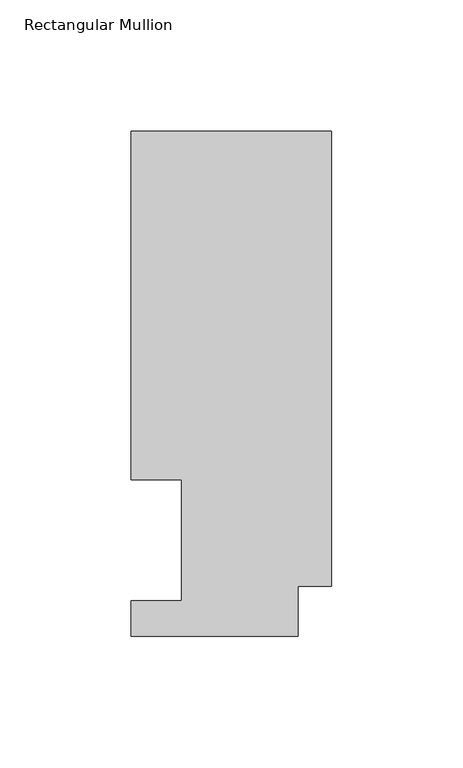
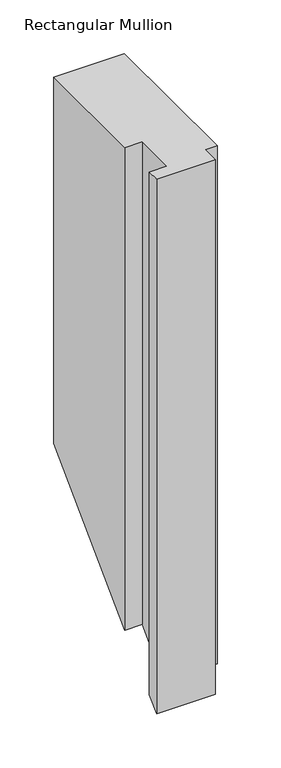
"""IFC4 building model written with IfcOpenShell, lengths in millimetres: member geometry, Rectangular Mullion."""

from ifc_helpers import new_model, si_unit, origin, place, context, project, spatial, faceted_brep, source, transform, mapped, element, save


def rectangular_mullion_e50ef69f(model_context):
    return source(origin(), model_context, "Body", "Brep", [
        faceted_brep([(0.0, 192.09385, 0.0), (-76.2, 192.09385, 0.0), (-76.2, 59.53125, 0.0), (-57.15, 59.53125, 0.0), (-57.15, 13.50645, 0.0), (-76.2, 13.50645, 0.0), (-76.2, 0.04445, 0.0), (-12.7, 0.04445, 0.0), (-12.7, 19.06905, 0.0), (0.0, 19.06905, 0.0), (0.0, 192.09385, -417.5194438), (-76.2, 192.09385, -417.5194438), (-76.2, 59.53125, -550.0820438), (-57.15, 59.53125, -550.0820438), (-57.15, 13.50645, -596.1068438), (-76.2, 13.50645, -596.1068438), (-76.2, 0.04445, -609.5688438), (-12.7, 0.04445, -609.5688438), (-12.7, 19.06905, -590.5442438), (0.0, 19.06905, -590.5442438)], [[[0, 1, 2, 3, 4, 5, 6, 7, 8, 9]], [[1, 0, 10, 11]], [[2, 1, 11, 12]], [[3, 2, 12, 13]], [[4, 3, 13, 14]], [[5, 4, 14, 15]], [[6, 5, 15, 16]], [[7, 6, 16, 17]], [[8, 7, 17, 18]], [[9, 8, 18, 19]], [[0, 9, 19, 10]], [[10, 19, 18, 17, 16, 15, 14, 13, 12, 11]]]),
    ])


if __name__ == "__main__":
    model = new_model("IFC4")
    model_context = context("Model", 3, world=origin())
    ifc_project = project(units=[si_unit("LENGTHUNIT", "METRE", prefix="MILLI")], contexts=[model_context])
    site = spatial("IfcSite", under=ifc_project)
    building = spatial("IfcBuilding", under=site)
    placement = place(None, origin())
    rectangular_mullion_shape = rectangular_mullion_e50ef69f(model_context)
    element("IfcMember", 1, ObjectType="Rectangular Mullion", at=placement, inside=building, context=model_context, shape_type="MappedRepresentation", body=[
        mapped(rectangular_mullion_shape, transform((0.0, 0.0, 0.0), x_axis=(1.0, 0.0, 0.0), y_axis=(0.0, 1.0, 0.0), z_axis=(0.0, 0.0, 1.0))),
    ])
    save(model, "model.ifc")
